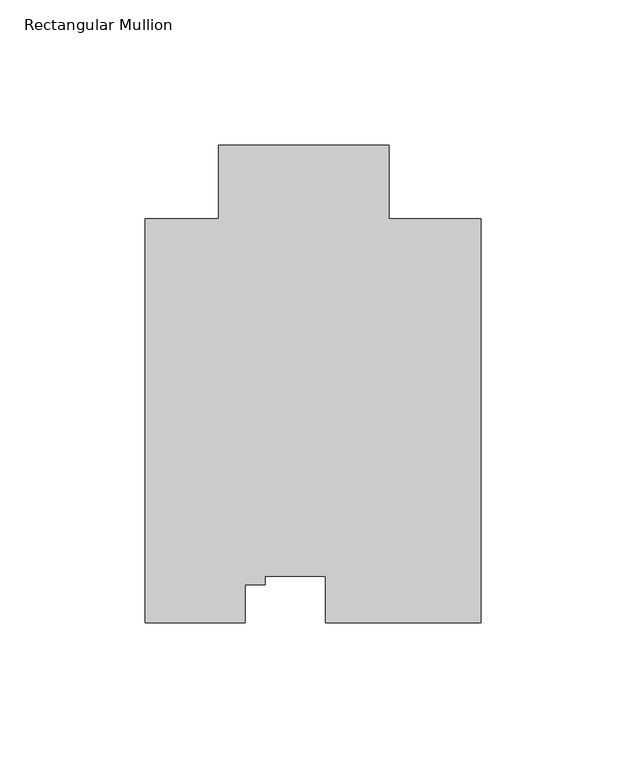
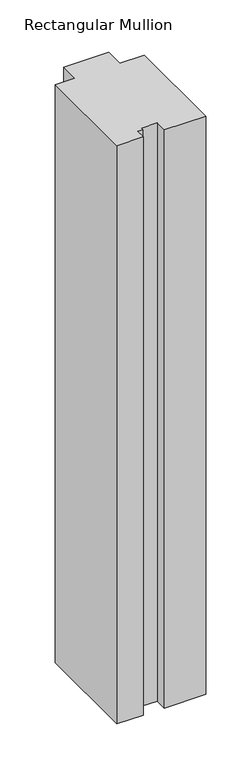
"""IFC4 building model written with IfcOpenShell, lengths in millimetres: member geometry, Rectangular Mullion."""

from ifc_helpers import new_model, si_unit, frame, origin, place, context, project, spatial, polyline, outline, extrude, source, transform, mapped, element, save


def rectangular_mullion_0fd260ed(model_context):
    return source(origin(), model_context, "Body", "SweptSolid", [
        extrude(outline(polyline([(27.0108561, -164.6039063), (-26.6042364, -164.6039063), (-26.6042364, -148.7055018), (-47.5508893, -148.7055018), (-47.5508893, -151.560107), (-54.4088891, -151.560107), (-54.4088891, -164.6039062), (-88.9, -164.6039062), (-88.9, -25.4123588), (-63.5001132, -25.4118416), (-63.5001132, -0.0119063), (-4.7391904, -0.0119063), (-4.7391904, -25.4123588), (27.0108561, -25.4123588), (27.0108561, -164.6039063)])), frame((0.0, 0.0, -799.0534596), z_axis=(0.0, 0.0, 1.0), x_axis=(1.0, 0.0, 0.0)), (0.0, 0.0, 1.0), 799.0534596),
    ])


if __name__ == "__main__":
    model = new_model("IFC4")
    model_context = context("Model", 3, world=origin())
    ifc_project = project(units=[si_unit("LENGTHUNIT", "METRE", prefix="MILLI")], contexts=[model_context])
    site = spatial("IfcSite", under=ifc_project)
    building = spatial("IfcBuilding", under=site)
    placement = place(None, origin())
    rectangular_mullion_shape = rectangular_mullion_0fd260ed(model_context)
    element("IfcMember", 1, ObjectType="Rectangular Mullion", at=placement, inside=building, context=model_context, shape_type="MappedRepresentation", body=[
        mapped(rectangular_mullion_shape, transform((0.0, 0.0, 0.0), x_axis=(1.0, 0.0, 0.0), y_axis=(0.0, 1.0, 0.0), z_axis=(0.0, 0.0, 1.0))),
    ])
    save(model, "model.ifc")
